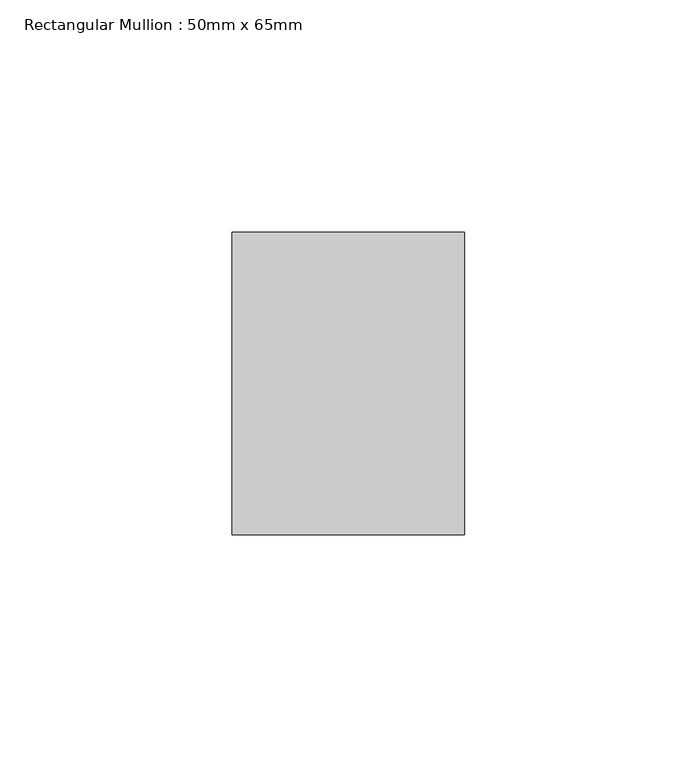
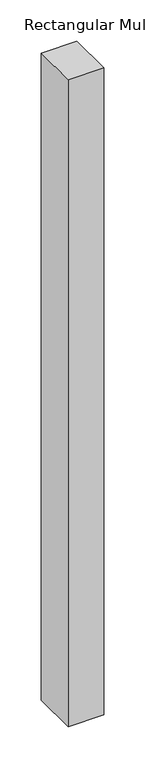
"""IFC4 building model written with IfcOpenShell, lengths in millimetres: member geometry, Rectangular Mullion : 50mm x 65mm."""

from ifc_helpers import new_model, si_unit, frame, origin, place, context, project, spatial, polyline, outline, extrude, source, transform, mapped, element, save


def rectangular_mullion_50mm_x_65mm_25efc753(model_context):
    return source(origin(), model_context, "Body", "SweptSolid", [
        extrude(outline(polyline([(25.0, 32.5), (25.0, -32.5), (-25.0, -32.5), (-25.0, 32.5), (25.0, 32.5)])), frame((0.0, 0.0, -957.7643152), z_axis=(0.0, 0.0, 1.0), x_axis=(1.0, 0.0, 0.0)), (0.0, 0.0, 1.0), 957.7643152),
    ])


if __name__ == "__main__":
    model = new_model("IFC4")
    model_context = context("Model", 3, world=origin())
    ifc_project = project(units=[si_unit("LENGTHUNIT", "METRE", prefix="MILLI")], contexts=[model_context])
    site = spatial("IfcSite", under=ifc_project)
    building = spatial("IfcBuilding", under=site)
    placement = place(None, origin())
    rectangular_mullion_50mm_x_65mm_shape = rectangular_mullion_50mm_x_65mm_25efc753(model_context)
    element("IfcMember", 1, ObjectType="Rectangular Mullion : 50mm x 65mm", at=placement, inside=building, context=model_context, shape_type="MappedRepresentation", body=[
        mapped(rectangular_mullion_50mm_x_65mm_shape, transform((0.0, 0.0, 0.0), x_axis=(1.0, 0.0, 0.0), y_axis=(0.0, 1.0, 0.0), z_axis=(0.0, 0.0, 1.0))),
    ])
    save(model, "model.ifc")
